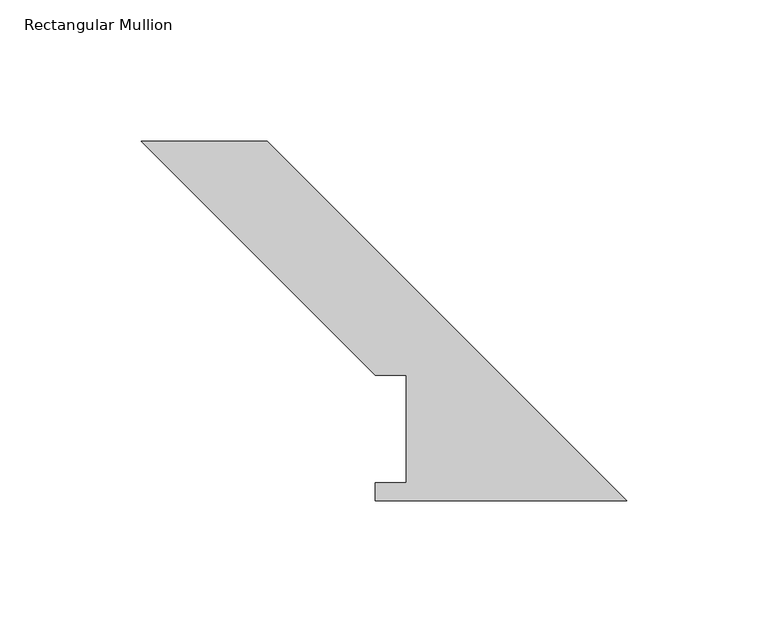
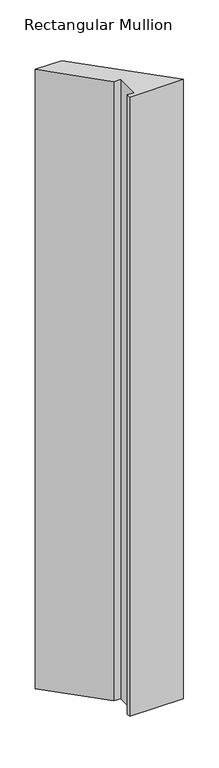
"""IFC4 building model written with IfcOpenShell, lengths in millimetres: member geometry, Rectangular Mullion."""

from ifc_helpers import new_model, si_unit, frame, origin, place, context, project, spatial, polyline, outline, extrude, source, transform, mapped, element, save


def rectangular_mullion_0ac1e1d4(model_context):
    return source(origin(), model_context, "Body", "SweptSolid", [
        extrude(outline(polyline([(-171.45, 127.0), (-127.0, 127.0), (0.0, 0.0), (-88.9, 0.0), (-88.9, 6.35), (-77.7875, 6.35), (-77.7875, 44.45), (-88.9, 44.45), (-171.45, 127.0)])), frame((0.0, 0.0, -1079.4995636), z_axis=(0.0, 0.0, 1.0), x_axis=(1.0, 0.0, 0.0)), (0.0, 0.0, 1.0), 1079.4995636),
    ])


if __name__ == "__main__":
    model = new_model("IFC4")
    model_context = context("Model", 3, world=origin())
    ifc_project = project(units=[si_unit("LENGTHUNIT", "METRE", prefix="MILLI")], contexts=[model_context])
    site = spatial("IfcSite", under=ifc_project)
    building = spatial("IfcBuilding", under=site)
    placement = place(None, origin())
    rectangular_mullion_shape = rectangular_mullion_0ac1e1d4(model_context)
    element("IfcMember", 1, ObjectType="Rectangular Mullion", at=placement, inside=building, context=model_context, shape_type="MappedRepresentation", body=[
        mapped(rectangular_mullion_shape, transform((0.0, 0.0, 0.0), x_axis=(1.0, 0.0, 0.0), y_axis=(0.0, 1.0, 0.0), z_axis=(0.0, 0.0, 1.0))),
    ])
    save(model, "model.ifc")
